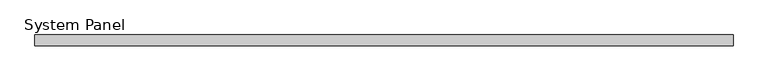
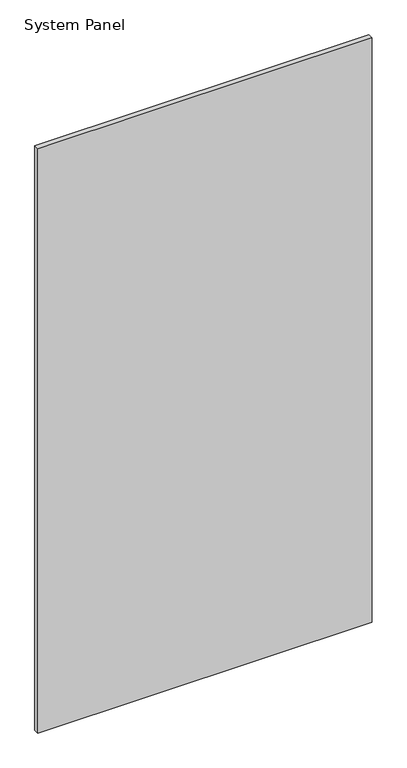
"""IFC4 building model written with IfcOpenShell, lengths in millimetres: plate geometry, System Panel."""

from ifc_helpers import new_model, si_unit, origin, origin_with_axes, place, context, project, spatial, polyline, outline, extrude, source, transform, mapped, element, save


def system_panel_835805d0(model_context):
    return source(origin(), model_context, "Body", "SweptSolid", [
        extrude(outline(polyline([(649.4789826, -10.0), (-649.4789826, -10.0), (-649.4789826, 10.0), (649.4789826, 10.0), (649.4789826, -10.0)])), origin_with_axes(), (0.0, 0.0, 1.0), 2400.0),
    ])


if __name__ == "__main__":
    model = new_model("IFC4")
    model_context = context("Model", 3, world=origin())
    ifc_project = project(units=[si_unit("LENGTHUNIT", "METRE", prefix="MILLI")], contexts=[model_context])
    site = spatial("IfcSite", under=ifc_project)
    building = spatial("IfcBuilding", under=site)
    placement = place(None, origin())
    system_panel_shape = system_panel_835805d0(model_context)
    element("IfcPlate", 1, ObjectType="System Panel", at=placement, inside=building, context=model_context, shape_type="MappedRepresentation", body=[
        mapped(system_panel_shape, transform((0.0, 0.0, 0.0), x_axis=(1.0, 0.0, 0.0), y_axis=(0.0, 1.0, 0.0), z_axis=(0.0, 0.0, 1.0))),
    ])
    save(model, "model.ifc")
